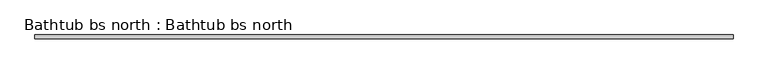
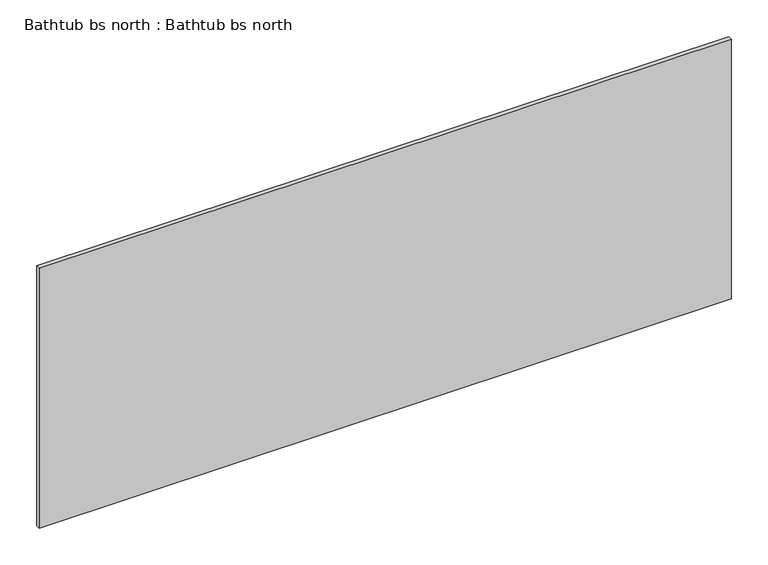
"""IFC4 building model written with IfcOpenShell, lengths in millimetres: proxy geometry, Bathtub bs north : Bathtub bs north."""

from ifc_helpers import new_model, si_unit, frame, origin, place, context, project, spatial, polyline, outline, extrude, source, transform, mapped, element, save


def bathtub_bs_north_bathtub_bs_north_0100c027(model_context):
    return source(origin(), model_context, "Body", "SweptSolid", [
        extrude(outline(polyline([(-7340.862097, 10228.5001285), (-8429.7323603, 10228.5001285), (-8429.7323603, 10234.8501285), (-7340.862097, 10234.8501285), (-7340.862097, 10228.5001285)])), frame((0.0, 0.0, 3555.8744506), z_axis=(0.0, 0.0, 1.0), x_axis=(1.0, 0.0, 0.0)), (0.0, 0.0, 1.0), 431.9255494),
    ])


if __name__ == "__main__":
    model = new_model("IFC4")
    model_context = context("Model", 3, world=origin())
    ifc_project = project(units=[si_unit("LENGTHUNIT", "METRE", prefix="MILLI")], contexts=[model_context])
    site = spatial("IfcSite", under=ifc_project)
    building = spatial("IfcBuilding", under=site)
    placement = place(None, origin())
    bathtub_bs_north_bathtub_bs_north_shape = bathtub_bs_north_bathtub_bs_north_0100c027(model_context)
    element("IfcBuildingElementProxy", 1, Name="Bathtub bs north : Bathtub bs north", ObjectType="Bathtub bs north : Bathtub bs north", at=placement, inside=building, context=model_context, shape_type="MappedRepresentation", body=[
        mapped(bathtub_bs_north_bathtub_bs_north_shape, transform((0.0, 0.0, 0.0), x_axis=(1.0, 0.0, 0.0), y_axis=(0.0, 1.0, 0.0), z_axis=(0.0, 0.0, 1.0))),
    ])
    save(model, "model.ifc")
